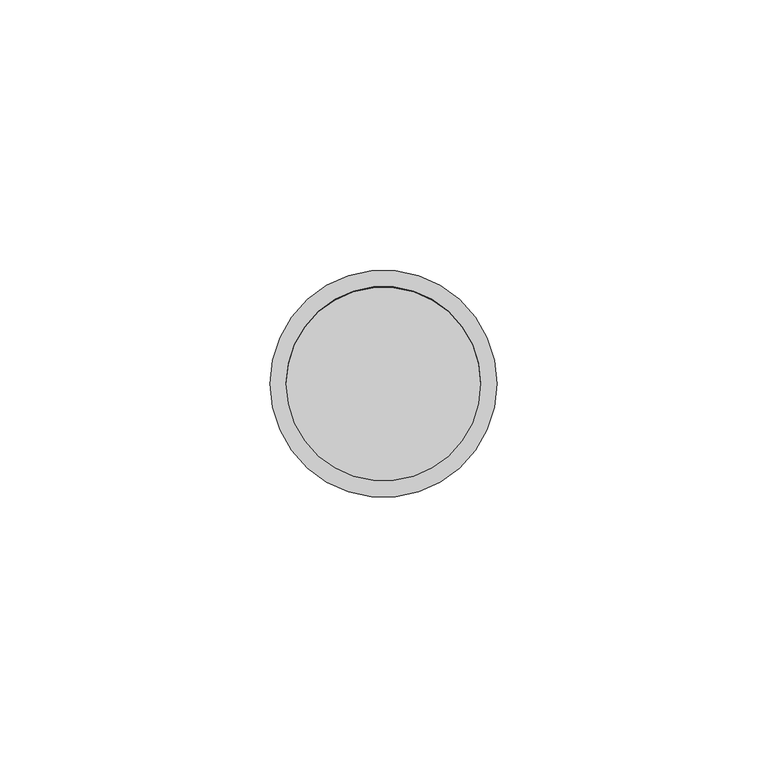
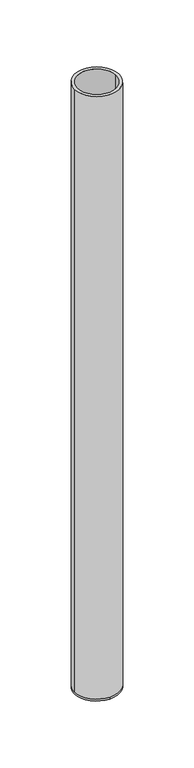
"""IFC4 building model written with IfcOpenShell, lengths in millimetres: beam geometry."""

from ifc_helpers import new_model, si_unit, frame, origin, place, context, project, spatial, polyline, circle_curve, source, transform, mapped, element, save
from ifc_brep_helpers import plane_surface, cylinder_surface, revolved_surface, advanced_brep


def beam_1a1bc6c5(model_context):
    return source(origin(), model_context, "Body", "AdvancedBrep", [
        advanced_brep(
        [(21.0, 0.0, 0.0), (-21.0, 0.0, 0.0), (18.0, 0.0, 0.0), (-18.0, 0.0, 0.0), (18.0, 0.0, -598.0), (-18.0, 0.0, -598.0), (21.0, 0.0, -598.0), (0.0, 21.0, -598.0), (-21.0, 0.0, -598.0), (0.0, -21.0, -598.0), (0.0, 21.0, -600.0), (0.0, -21.0, -600.0)],
        [
            (0, 1, circle_curve(frame((0.0, 0.0, 0.0), z_axis=(0.0, 0.0, 1.0), x_axis=(-1.0, 0.0, 0.0)), 21.0)),
            (1, 0, circle_curve(frame((0.0, 0.0, 0.0), z_axis=(0.0, 0.0, 1.0), x_axis=(-1.0, 0.0, 0.0)), 21.0)),
            (2, 3, circle_curve(frame((0.0, 0.0, 0.0), z_axis=(0.0, 0.0, -1.0), x_axis=(-1.0, 0.0, 0.0)), 18.0)),
            (3, 2, circle_curve(frame((0.0, 0.0, 0.0), z_axis=(0.0, 0.0, -1.0), x_axis=(-1.0, 0.0, 0.0)), 18.0)),
            (2, 4),
            (4, 5, circle_curve(frame((0.0, 0.0, -598.0), z_axis=(0.0, 0.0, -1.0), x_axis=(-1.0, 0.0, 0.0)), 18.0)),
            (5, 3),
            (5, 4, circle_curve(frame((0.0, 0.0, -598.0), z_axis=(0.0, 0.0, -1.0), x_axis=(-1.0, 0.0, 0.0)), 18.0)),
            (0, 6),
            (6, 7, circle_curve(frame((0.0, 0.0, -598.0), z_axis=(0.0, 0.0, 1.0), x_axis=(-1.0, 0.0, 0.0)), 21.0)),
            (7, 8, circle_curve(frame((0.0, 0.0, -598.0), z_axis=(0.0, 0.0, 1.0), x_axis=(-1.0, 0.0, 0.0)), 21.0)),
            (8, 1),
            (8, 9, circle_curve(frame((0.0, 0.0, -598.0), z_axis=(0.0, 0.0, 1.0), x_axis=(-1.0, 0.0, 0.0)), 21.0)),
            (9, 6, circle_curve(frame((0.0, 0.0, -598.0), z_axis=(0.0, 0.0, 1.0), x_axis=(-1.0, 0.0, 0.0)), 21.0)),
            (10, 11, circle_curve(frame((0.0, 0.0, -600.0), z_axis=(0.0, 0.0, -1.0), x_axis=(0.0, -1.0, 0.0)), 21.0)),
            (11, 10, circle_curve(frame((0.0, 0.0, -600.0), z_axis=(0.0, 0.0, -1.0), x_axis=(0.0, -1.0, 0.0)), 21.0)),
            (11, 9),
            (7, 10),
        ],
        [
            plane_surface(frame((0.0, 0.0, 0.0), z_axis=(0.0, 0.0, 1.0), x_axis=(0.0, -1.0, 0.0))),
            revolved_surface(polyline([(-18.0, 0.0, 0.0), (-18.0, 0.0, -598.0)]), (0.0, 0.0, -598.0), (0.0, 0.0, 1.0)),
            cylinder_surface(frame((0.0, 0.0, -598.0), z_axis=(0.0, 0.0, -1.0), x_axis=(-1.0, 0.0, 0.0)), 21.0),
            plane_surface(frame((0.0, 0.0, -598.0), z_axis=(0.0, 0.0, 1.0), x_axis=(0.0, -1.0, 0.0))),
            plane_surface(frame((0.0, 0.0, -600.0), z_axis=(0.0, 0.0, -1.0), x_axis=(0.0, -1.0, 0.0))),
            cylinder_surface(frame((0.0, 0.0, -598.0), z_axis=(0.0, 0.0, 1.0), x_axis=(0.0, -1.0, 0.0)), 21.0),
        ],
        [
            (0, [[1, 2], [3, 4]]),
            (1, [[-3, 5, 6, 7]]),
            (1, [[-4, -7, 8, -5]]),
            (2, [[-1, 9, 10, 11, 12]]),
            (2, [[-2, -12, 13, 14, -9]]),
            (3, [[-6, -8]]),
            (4, [[15, 16]]),
            (5, [[-16, 17, -13, -11, 18]]),
            (5, [[-15, -18, -10, -14, -17]]),
        ],
    ),
    ])


if __name__ == "__main__":
    model = new_model("IFC4")
    model_context = context("Model", 3, world=origin())
    ifc_project = project(units=[si_unit("LENGTHUNIT", "METRE", prefix="MILLI")], contexts=[model_context])
    site = spatial("IfcSite", under=ifc_project)
    building = spatial("IfcBuilding", under=site)
    placement = place(None, origin())
    beam_shape = beam_1a1bc6c5(model_context)
    element("IfcBeam", 1, at=placement, inside=building, context=model_context, shape_type="MappedRepresentation", body=[
        mapped(beam_shape, transform((0.0, 0.0, 0.0), x_axis=(1.0, 0.0, 0.0), y_axis=(0.0, 1.0, 0.0), z_axis=(0.0, 0.0, 1.0))),
    ])
    save(model, "model.ifc")
